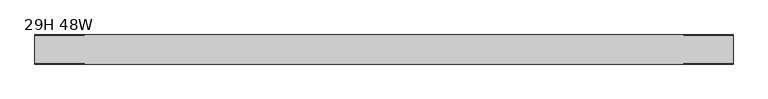
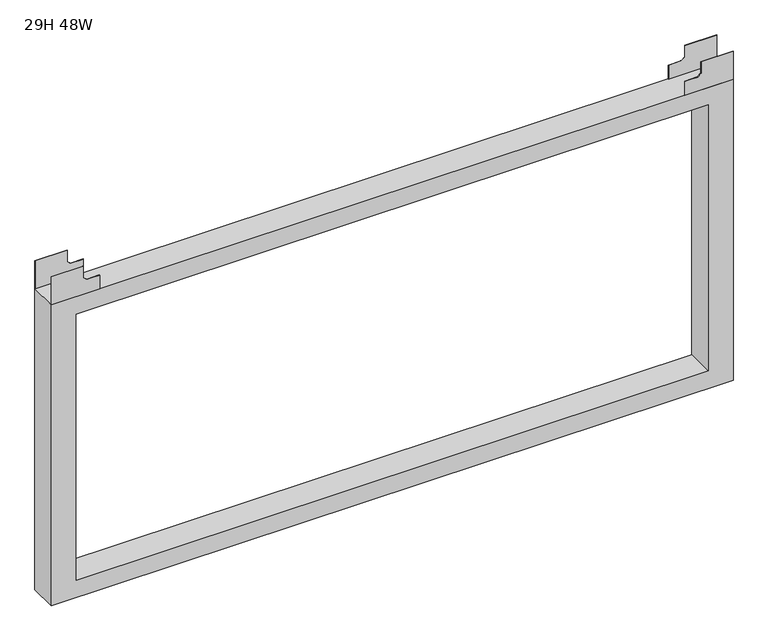
"""IFC4 building model written with IfcOpenShell, lengths in millimetres: furniture geometry, 29H 48W."""

from ifc_helpers import new_model, si_unit, frame, origin, place, context, project, spatial, polyline, outline, extrude, source, transform, mapped, element, save


def furniture_29h_48w_c1a4db7d(model_context):
    return source(origin(), model_context, "Body", "SweptSolid", [
        extrude(outline(polyline([(723.3158, 1219.2), (723.3158, 1162.05), (701.8045403, 1162.05), (696.5950109, 1155.7000015), (696.5950109, 1132.8400006), (670.5600085, 1132.8400006), (670.5600085, 1219.2), (723.3158, 1219.2)])), frame((0.0, -14.333455, 0.0), z_axis=(0.0, 1.0, 0.0), x_axis=(0.0, 0.0, 1.0)), (0.0, 0.0, 1.0), 0.6174544),
        extrude(outline(polyline([(723.3158, 1219.2), (723.3158, 1162.05), (701.8045403, 1162.05), (696.5950109, 1155.7000015), (696.5950109, 1132.8400006), (670.5600085, 1132.8400006), (670.5600085, 1219.2), (723.3158, 1219.2)])), frame((0.0, -64.5160021, 0.0), z_axis=(0.0, 1.0, 0.0), x_axis=(0.0, 0.0, 1.0)), (0.0, 0.0, 1.0), 0.6174544),
        extrude(outline(polyline([(723.3158, 0.0), (670.5600085, 0.0), (670.5600085, 86.3599994), (696.5950109, 86.3599994), (696.5950109, 63.4999985), (701.8045403, 57.15), (723.3158, 57.15), (723.3158, 0.0)])), frame((0.0, -14.333455, 0.0), z_axis=(0.0, 1.0, 0.0), x_axis=(0.0, 0.0, 1.0)), (0.0, 0.0, 1.0), 0.6174544),
        extrude(outline(polyline([(723.3158, 0.0), (670.5600085, 0.0), (670.5600085, 86.3599994), (696.5950109, 86.3599994), (696.5950109, 63.4999985), (701.8045403, 57.15), (723.3158, 57.15), (723.3158, 0.0)])), frame((0.0, -64.5160021, 0.0), z_axis=(0.0, 1.0, 0.0), x_axis=(0.0, 0.0, 1.0)), (0.0, 0.0, 1.0), 0.6174544),
        extrude(outline(polyline([(101.600003, 0.0), (101.600003, 1219.2), (670.4329935, 1219.2), (670.4329935, 0.0), (101.600003, 0.0)]), holes=[polyline([(134.4929989, 44.4499985), (637.5400158, 44.4499985), (637.5400158, 1174.7500015), (134.4929989, 1174.7500015), (134.4929989, 44.4499985)])]), frame((0.0, -64.5160021, 0.0), z_axis=(0.0, 1.0, 0.0), x_axis=(0.0, 0.0, 1.0)), (0.0, 0.0, 1.0), 50.8000015),
    ])


if __name__ == "__main__":
    model = new_model("IFC4")
    model_context = context("Model", 3, world=origin())
    ifc_project = project(units=[si_unit("LENGTHUNIT", "METRE", prefix="MILLI")], contexts=[model_context])
    site = spatial("IfcSite", under=ifc_project)
    building = spatial("IfcBuilding", under=site)
    placement = place(None, origin())
    furniture_29h_48w_shape = furniture_29h_48w_c1a4db7d(model_context)
    element("IfcFurniture", 1, ObjectType="29H 48W", at=placement, inside=building, context=model_context, shape_type="MappedRepresentation", body=[
        mapped(furniture_29h_48w_shape, transform((0.0, 0.0, 0.0), x_axis=(1.0, 0.0, 0.0), y_axis=(0.0, 1.0, 0.0), z_axis=(0.0, 0.0, 1.0))),
    ])
    save(model, "model.ifc")
